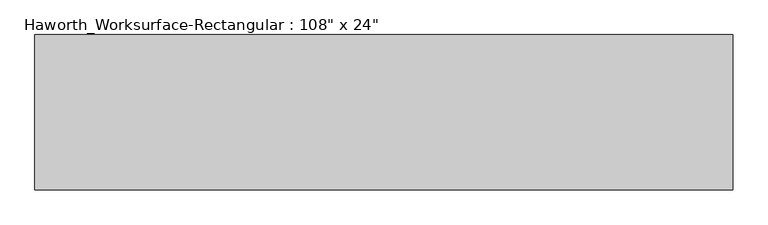
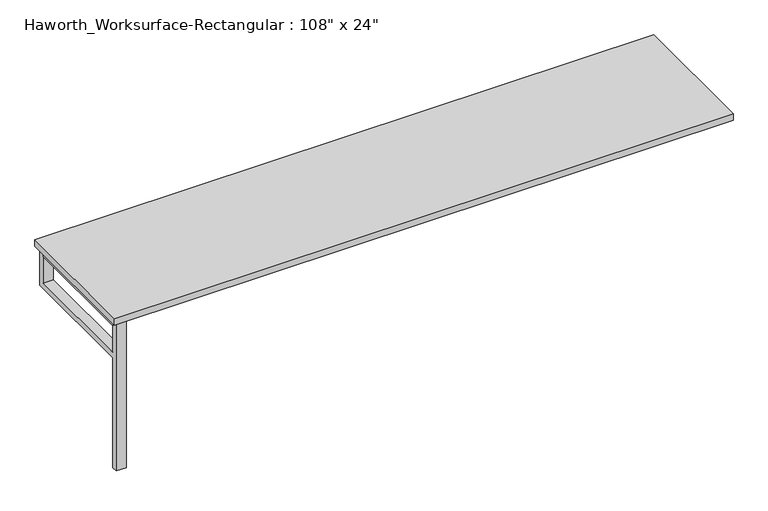
"""IFC4 building model written with IfcOpenShell, lengths in millimetres: furniture geometry."""

import ifcopenshell
import ifcopenshell.guid

model = None  # the IFC model being written
_history = None  # IfcOwnerHistory: only IFC2X3 demands one
_inside = {}  # id of a spatial element -> (the spatial element, [elements in it])
_under = {}  # id of a project, library or spatial element -> (it, [spatial elements below it])
_declared = {}  # id of a project -> (the project, [libraries it declares])
_typed = {}  # id of a type object -> (the type object, [elements of that type])
_made_of = {}  # id of a material, layer set ... -> (it, [elements and type objects made of it])


def new_model(schema):
    """Start an empty IFC model of exactly this schema.

    Asked for "IFC4X3", IfcOpenShell would pick the latest addendum, in which some entities
    have other attributes; the version numbers below select the first issue.
    IFC2X3 requires an IfcOwnerHistory on every rooted entity: one is made here for all.
    """
    global model, _history
    if schema == "IFC4X3":
        model = ifcopenshell.file(schema_version=(4, 3, 0, 0))
    else:
        model = ifcopenshell.file(schema=schema)
    _inside.clear()
    _under.clear()
    _declared.clear()
    _typed.clear()
    _made_of.clear()
    _history = None
    if model.schema == "IFC2X3":
        org = make("IfcOrganization", Name="unknown")
        user = make(
            "IfcPersonAndOrganization",
            ThePerson=make("IfcPerson", FamilyName="unknown"),
            TheOrganization=org,
        )
        app = make(
            "IfcApplication",
            ApplicationDeveloper=org,
            Version="unknown",
            ApplicationFullName="unknown",
            ApplicationIdentifier="unknown",
        )
        _history = make(
            "IfcOwnerHistory",
            OwningUser=user,
            OwningApplication=app,
            ChangeAction="ADDED",
            CreationDate=0,
        )
    return model


def make(cls, **values):
    """One entity of the class cls with the attributes given. An attribute that is None is left unset."""
    return model.create_entity(
        cls, **{name: value for name, value in values.items() if value is not None}
    )


def rooted(cls, **values):
    """An entity with a GlobalId (a new one), such as an element, a storey or a relation."""
    return make(cls, GlobalId=ifcopenshell.guid.new(), OwnerHistory=_history, **values)


def si_unit(unit_type, name, prefix=None):
    """IfcSIUnit, for example si_unit("LENGTHUNIT", "METRE", prefix="MILLI")."""
    return make("IfcSIUnit", UnitType=unit_type, Prefix=prefix, Name=name)


def assignment(units):
    """IfcUnitAssignment: the units of a project."""
    return None if units is None else make("IfcUnitAssignment", Units=units)


def point(xyz):
    """IfcCartesianPoint."""
    return None if xyz is None else make("IfcCartesianPoint", Coordinates=xyz)


def direction(xyz):
    """IfcDirection."""
    return None if xyz is None else make("IfcDirection", DirectionRatios=xyz)


def frame(location, z_axis=None, x_axis=None):
    """IfcAxis2Placement3D, a coordinate frame: its origin and axes. An axis left out is left unset."""
    return make(
        "IfcAxis2Placement3D",
        Location=point(location),
        Axis=direction(z_axis),
        RefDirection=direction(x_axis),
    )


def origin():
    """The frame at (0, 0, 0) with its axes left unset."""
    return frame((0.0, 0.0, 0.0))


def place(relative_to, where):
    """IfcLocalPlacement: puts the frame where relative to a parent placement (None: the world)."""
    return make(
        "IfcLocalPlacement", PlacementRelTo=relative_to, RelativePlacement=where
    )


def context(
    kind, dimensions, precision=None, world=None, true_north=None, identifier=None
):
    """IfcGeometricRepresentationContext, for example the 3D "Model" context."""
    return make(
        "IfcGeometricRepresentationContext",
        ContextIdentifier=identifier,
        ContextType=kind,
        CoordinateSpaceDimension=dimensions,
        Precision=precision,
        WorldCoordinateSystem=world,
        TrueNorth=true_north,
    )


def project(units=None, contexts=None):
    """IfcProject with its units and contexts."""
    return rooted(
        "IfcProject",
        Name="project",
        RepresentationContexts=contexts,
        UnitsInContext=assignment(units),
    )


def spatial(cls, under=None, at=None, **own):
    """A site, building, storey or space (cls), placed at a placement, below another one or the project."""
    s = rooted(cls, ObjectPlacement=at, **own)
    if under is not None:
        _under.setdefault(under.id(), (under, []))[1].append(s)
    return s


def polyline(points):
    """IfcPolyline through the points."""
    return make("IfcPolyline", Points=[point(p) for p in points])


def outline(outer, holes=None, kind="AREA"):
    """IfcArbitraryClosedProfileDef: a profile drawn as a closed curve; with holes, ...WithVoids."""
    if holes is None:
        return make("IfcArbitraryClosedProfileDef", ProfileType=kind, OuterCurve=outer)
    return make(
        "IfcArbitraryProfileDefWithVoids",
        ProfileType=kind,
        OuterCurve=outer,
        InnerCurves=holes,
    )


def extrude(swept, where, along, depth):
    """IfcExtrudedAreaSolid: the profile swept, set in the frame where, extruded along a direction by depth."""
    return make(
        "IfcExtrudedAreaSolid",
        SweptArea=swept,
        Position=where,
        ExtrudedDirection=direction(along),
        Depth=depth,
    )


def shape(context_of_items, identifier, shape_type, items):
    """IfcShapeRepresentation: the items that make up one representation, for example the "Body"."""
    return make(
        "IfcShapeRepresentation",
        ContextOfItems=context_of_items,
        RepresentationIdentifier=identifier,
        RepresentationType=shape_type,
        Items=items,
    )


def source(mapping_origin, context_of_items, identifier, shape_type, items):
    """IfcRepresentationMap: a shape defined once, which mapped items show again and again."""
    return make(
        "IfcRepresentationMap",
        MappingOrigin=mapping_origin,
        MappedRepresentation=shape(context_of_items, identifier, shape_type, items),
    )


def transform(
    local_origin,
    x_axis=None,
    y_axis=None,
    z_axis=None,
    scale=None,
    scale2=None,
    scale3=None,
    uniform=True,
):
    """IfcCartesianTransformationOperator3D, or its non-uniform kind. x_axis, y_axis, z_axis: its Axis1, 2, 3."""
    if uniform:
        return make(
            "IfcCartesianTransformationOperator3D",
            Axis1=direction(x_axis),
            Axis2=direction(y_axis),
            LocalOrigin=point(local_origin),
            Scale=scale,
            Axis3=direction(z_axis),
        )
    return make(
        "IfcCartesianTransformationOperator3DnonUniform",
        Axis1=direction(x_axis),
        Axis2=direction(y_axis),
        LocalOrigin=point(local_origin),
        Scale=scale,
        Axis3=direction(z_axis),
        Scale2=scale2,
        Scale3=scale3,
    )


def mapped(mapping_source, mapping_target):
    """IfcMappedItem: shows the shape of a source again, moved by a transform."""
    return make(
        "IfcMappedItem", MappingSource=mapping_source, MappingTarget=mapping_target
    )


def made_of(thing, what):
    """Note that an element or type object is made of a material, layer set ...; save() writes the relation."""
    if what is not None:
        _made_of.setdefault(what.id(), (what, []))[1].append(thing)
    return thing


def element(
    cls,
    number,
    at=None,
    inside=None,
    cuts=None,
    type_object=None,
    material=None,
    context=None,
    identifier="Body",
    shape_type=None,
    held_by="IfcProductDefinitionShape",
    body=None,
    shapes=None,
    **own,
):
    """One element of the class cls, such as IfcWall. Its Tag is "e" and its number.

    at: its placement. inside: the storey or other place that contains it. cuts: it is an
    opening in that element (IfcRelVoidsElement). A single representation is given by context,
    identifier, shape_type and body (its items); several are given by shapes. held_by: the class
    of the entity that holds the representations. save() writes the other relations.
    """
    e = rooted(cls, Tag="e%d" % number, ObjectPlacement=at, **own)
    if body is not None:
        shapes = [shape(context, identifier, shape_type, body)]
    if shapes is not None:
        e.Representation = make(held_by, Representations=shapes)
    if inside is not None:
        _inside.setdefault(inside.id(), (inside, []))[1].append(e)
    if cuts is not None:
        rooted(
            "IfcRelVoidsElement", RelatingBuildingElement=cuts, RelatedOpeningElement=e
        )
    if type_object is not None:
        _typed.setdefault(type_object.id(), (type_object, []))[1].append(e)
    return made_of(e, material)


def aggregate(whole, parts):
    """IfcRelAggregates: a whole, such as a stair, and the parts it consists of."""
    return rooted("IfcRelAggregates", RelatingObject=whole, RelatedObjects=parts)


def save(model, path):
    """Write the relations noted so far, then the file.

    IfcRelAggregates (storeys below a building ...), IfcRelContainedInSpatialStructure (elements
    in a storey), IfcRelDefinesByType, IfcRelAssociatesMaterial and IfcRelDeclares: one each for
    every whole, place, type object, material and project.
    """
    for whole, parts in _under.values():
        aggregate(whole, parts)
    for where, things in _inside.values():
        rooted(
            "IfcRelContainedInSpatialStructure",
            RelatedElements=things,
            RelatingStructure=where,
        )
    for kind, things in _typed.values():
        rooted("IfcRelDefinesByType", RelatedObjects=things, RelatingType=kind)
    for what, things in _made_of.values():
        rooted("IfcRelAssociatesMaterial", RelatedObjects=things, RelatingMaterial=what)
    for by, libraries in _declared.values():
        rooted("IfcRelDeclares", RelatingContext=by, RelatedDefinitions=libraries)
    model.write(path)


def furniture_a92cbd66(model_context):
    return source(origin(), model_context, "Body", "SweptSolid", [
        extrude(outline(polyline([(1371.6, 304.8), (1371.6, -304.8), (-1371.6, -304.8), (-1371.6, 304.8), (1371.6, 304.8)])), frame((0.0, 0.0, 706.4375), z_axis=(0.0, 0.0, 1.0), x_axis=(1.0, 0.0, 0.0)), (0.0, 0.0, 1.0), 30.1625),
        extrude(outline(polyline([(-1304.925, 279.4), (-1304.925, -254.0), (-1349.375, -254.0), (-1349.375, 279.4), (-1304.925, 279.4)])), frame((0.0, 0.0, 665.1625), z_axis=(0.0, 0.0, 1.0), x_axis=(1.0, 0.0, 0.0)), (0.0, 0.0, 1.0), 41.275),
        extrude(outline(polyline([(-254.0, 515.9375), (-254.0, 0.0), (-279.4, 0.0), (-279.4, 706.4375), (-254.0, 706.4375), (-254.0, 541.3375), (279.4, 541.3375), (279.4, 706.4375), (304.8, 706.4375), (304.8, 515.9375), (-254.0, 515.9375)])), frame((-1349.375, 0.0, 0.0), z_axis=(1.0, 0.0, 0.0), x_axis=(0.0, 1.0, 0.0)), (0.0, 0.0, 1.0), 44.45),
    ])


if __name__ == "__main__":
    model = new_model("IFC4")
    model_context = context("Model", 3, world=origin())
    ifc_project = project(units=[si_unit("LENGTHUNIT", "METRE", prefix="MILLI")], contexts=[model_context])
    site = spatial("IfcSite", under=ifc_project)
    building = spatial("IfcBuilding", under=site)
    placement = place(None, origin())
    furniture_shape = furniture_a92cbd66(model_context)
    element("IfcFurniture", 1, ObjectType="Haworth_Worksurface-Rectangular : 108\" x 24\"", at=placement, inside=building, context=model_context, shape_type="MappedRepresentation", body=[
        mapped(furniture_shape, transform((0.0, 0.0, 0.0), x_axis=(1.0, 0.0, 0.0), y_axis=(0.0, 1.0, 0.0), z_axis=(0.0, 0.0, 1.0))),
    ])
    save(model, "model.ifc")
